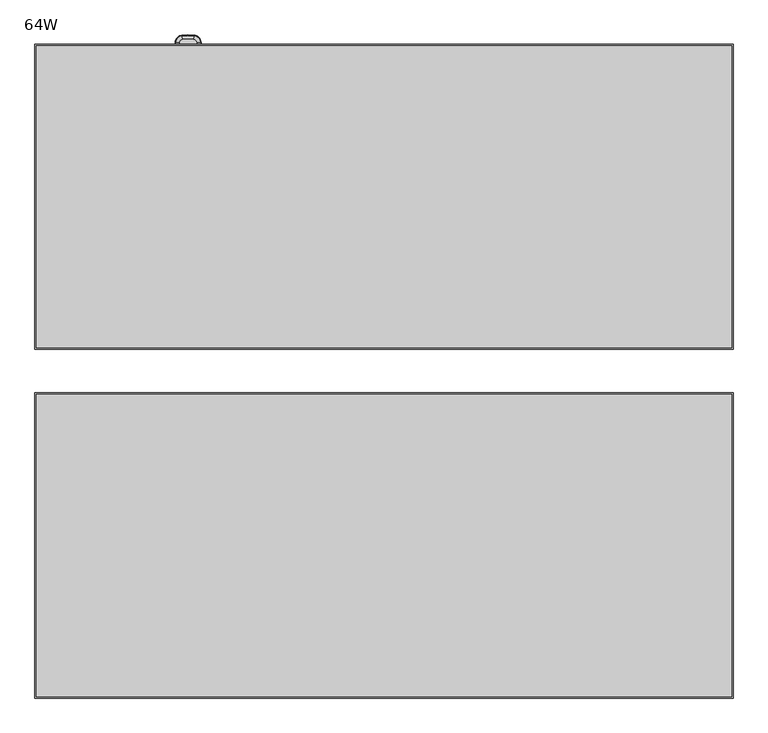
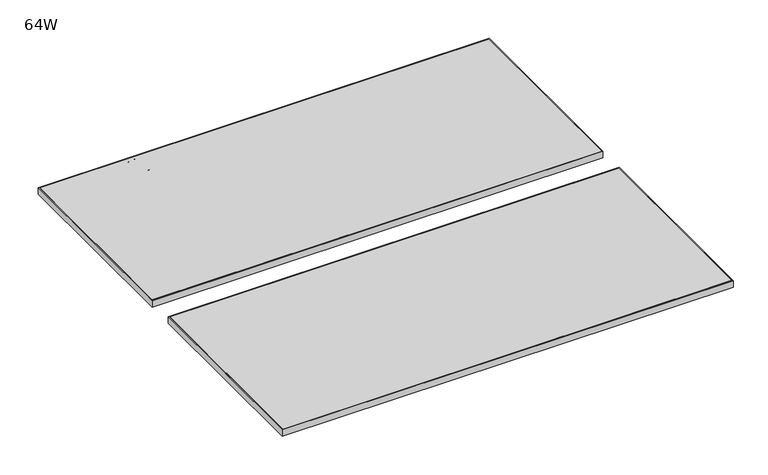
"""IFC4 building model written with IfcOpenShell, lengths in millimetres: furniture geometry, 64W."""

from ifc_helpers import new_model, si_unit, point, frame, origin, place, context, project, spatial, polyline, circle_curve, ellipse_curve, trimmed, outline, extrude, source, transform, mapped, element, save
from ifc_brep_helpers import plane_surface, revolved_surface, advanced_brep


def furniture_64w_d2e35151(model_context):
    return source(origin(), model_context, "Body", "SolidModel", [
        advanced_brep(
        [(-469.9915374, 822.8053798, 737.0002905), (-471.1343179, 830.4598422, 734.1834162), (-484.6227261, 815.5601737, 734.1834162), (-476.8926626, 815.1822062, 737.0002905), (-485.88939, 815.6221082, 732.7527708), (-471.3215762, 831.7141179, 732.7527708), (-471.3460814, 831.8782564, 728.4840916), (-486.0551497, 815.6302132, 728.4840916), (-484.4743896, 779.9758204, 734.1834162), (-476.7477458, 780.4182206, 737.0002905), (-485.9061794, 779.8938412, 728.4840916), (-485.7404931, 779.9033279, 732.7527708), (-470.3475965, 765.2103493, 734.1834162), (-469.5641927, 772.909896, 737.0002905), (-470.4927656, 763.7835807, 728.4840916), (-470.4759667, 763.9486859, 732.7527708), (-443.0158016, 765.0298244, 734.1834162), (-443.6974314, 772.7390475, 737.0002905), (-442.8894919, 763.6012626, 728.4840916), (-442.9041084, 763.7665754, 732.7527708), (-427.2885802, 781.3244805, 734.1834162), (-435.0171131, 781.7325499, 737.0002905), (-425.8564403, 781.248863, 728.4840916), (-426.0221671, 781.2576135, 732.7527708), (-427.1672101, 814.6662347, 734.1834162), (-434.898509, 814.314442, 737.0002905), (-425.7345576, 814.7314238, 728.4840916), (-425.9003437, 814.7238802, 732.7527708), (-441.686564, 830.6029673, 734.1834162), (-442.7548861, 822.9377583, 737.0002905), (-441.4885979, 832.023373, 728.4840916), (-441.5115065, 831.859004, 732.7527708), (-476.8926626, 815.1822062, 724.2999998), (-469.9915374, 822.8053798, 724.2999998), (-442.7548861, 822.9377583, 724.2999998), (-434.898509, 814.314442, 724.2999998), (-435.0171131, 781.7325499, 724.2999998), (-443.6974314, 772.7390475, 724.2999998), (-469.5641927, 772.909896, 724.2999998), (-476.7477458, 780.4182206, 724.2999998), (-485.7050419, 815.6130944, 727.740773), (-471.294323, 831.5315728, 727.740773), (-485.5562266, 779.9138783, 727.740773), (-470.4572839, 764.1323063, 727.740773), (-442.920364, 763.9504265, 727.740773), (-426.2064787, 781.2673452, 727.740773), (-426.0847213, 814.7154906, 727.740773), (-441.5369841, 831.6762026, 727.740773)],
        [
            (0, 1),
            (1, 2, circle_curve(frame((-468.7943107, 814.786231, 734.1834162), z_axis=(0.0, 0.0, 1.0), x_axis=(-0.14765943736555143, 0.9890382654664525, 0.0)), 15.8473253)),
            (2, 3),
            (3, 0, circle_curve(frame((-468.7943107, 814.786231, 736.9999998), z_axis=(0.0, 0.0, -1.0), x_axis=(-0.14765943736555143, 0.9890382654664525, 0.0)), 8.1088255)),
            (4, 5, circle_curve(frame((-468.7943107, 814.786231, 732.7527708), z_axis=(0.0, 0.0, -1.0), x_axis=(-0.14765943736555143, 0.9890382654664525, 0.0)), 17.1155025)),
            (5, 6, circle_curve(frame((-469.6947111, 820.8172064, 730.1868597), z_axis=(-0.9890382654664525, -0.1476594373655514, 0.0), x_axis=(0.1476594373655514, -0.9890382654664525, 0.0)), 11.3125272)),
            (6, 7, circle_curve(frame((-468.7943107, 814.786231, 728.4840916), z_axis=(0.0, 0.0, 1.0), x_axis=(-0.14765943736555143, 0.9890382654664525, 0.0)), 17.2814602)),
            (7, 4, circle_curve(frame((-474.8848525, 815.0840328, 730.1868597), z_axis=(0.048837433538246905, 0.9988067406087112, 0.0), x_axis=(0.9988067406087112, -0.048837433538246905, 0.0)), 11.3125272)),
            (1, 5, circle_curve(frame((-471.0329657, 829.7809746, 732.2975708), z_axis=(-0.9890382654664525, -0.1476594373655514, 0.0), x_axis=(0.1476594373655514, -0.9890382654664525, 0.0)), 2.0068747)),
            (4, 2, circle_curve(frame((-483.9371536, 815.5266521, 732.2975708), z_axis=(0.0488374335382549, 0.9988067406087109, 0.0), x_axis=(0.9988067406087109, -0.0488374335382549, 0.0)), 2.0068747)),
            (2, 8, circle_curve(frame((-149.3226653, 799.1654161, 734.1834162), z_axis=(0.0, 0.0, 1.0), x_axis=(-0.9988067406087116, 0.04883743353824024, 0.0)), 335.7006387)),
            (8, 9),
            (9, 3, circle_curve(frame((-149.3226653, 799.1654161, 736.9999998), z_axis=(0.0, 0.0, -1.0), x_axis=(-0.9988067406087116, 0.04883743353824024, 0.0)), 327.9621389)),
            (7, 10, circle_curve(frame((-149.3226653, 799.1654161, 728.4840916), z_axis=(0.0, 0.0, 1.0), x_axis=(-0.9988067406087116, 0.04883743353824024, 0.0)), 337.1347736)),
            (10, 11, circle_curve(frame((-474.740824, 780.5331298, 730.1868597), z_axis=(-0.05716282129698273, 0.9983648691041614, 0.0), x_axis=(0.9983648691041614, 0.05716282129698273, 0.0)), 11.3125272)),
            (11, 4, circle_curve(frame((-149.3226653, 799.1654161, 732.7527708), z_axis=(0.0, 0.0, -1.0), x_axis=(-0.9988067406087116, 0.04883743353824024, 0.0)), 336.9688159)),
            (11, 8, circle_curve(frame((-483.7891203, 780.0150565, 732.2975708), z_axis=(-0.05716282129698268, 0.9983648691041614, 0.0), x_axis=(0.9983648691041614, 0.05716282129698268, 0.0)), 2.0068747)),
            (8, 12, circle_curve(frame((-468.7536743, 780.8759327, 734.1834162), z_axis=(0.0, 0.0, 1.0), x_axis=(-0.9983648691041614, -0.05716282129698137, 0.0)), 15.7464628)),
            (12, 13),
            (13, 9, circle_curve(frame((-468.7536743, 780.8759327, 736.9999998), z_axis=(0.0, 0.0, -1.0), x_axis=(-0.9983648691041614, -0.05716282129698137, 0.0)), 8.0079629)),
            (10, 14, circle_curve(frame((-468.7536743, 780.8759327, 728.4840916), z_axis=(0.0, 0.0, 1.0), x_axis=(-0.9983648691041614, -0.05716282129698137, 0.0)), 17.1805977)),
            (14, 15, circle_curve(frame((-469.360711, 774.9097797, 730.1868597), z_axis=(-0.9948636454160269, 0.10122414252308488, 0.0), x_axis=(0.10122414252308488, 0.9948636454160269, 0.0)), 11.3125272)),
            (15, 11, circle_curve(frame((-468.7536743, 780.8759327, 732.7527708), z_axis=(0.0, 0.0, -1.0), x_axis=(-0.9983648691041614, -0.05716282129698137, 0.0)), 17.01464)),
            (15, 12, circle_curve(frame((-470.2781171, 765.8932153, 732.2975708), z_axis=(-0.9948636454160268, 0.10122414252308665, 0.0), x_axis=(0.10122414252308665, 0.9948636454160268, 0.0)), 2.0068747)),
            (12, 16, circle_curve(frame((-455.7323463, 908.8537603, 734.1834162), z_axis=(0.0, 0.0, 1.0), x_axis=(-0.10122414252308336, -0.9948636454160271, 0.0)), 144.3850237)),
            (16, 17),
            (17, 13, circle_curve(frame((-455.7323463, 908.8537603, 736.9999998), z_axis=(0.0, 0.0, -1.0), x_axis=(-0.10122414252308336, -0.9948636454160271, 0.0)), 136.6465238)),
            (14, 18, circle_curve(frame((-455.7323463, 908.8537603, 728.4840916), z_axis=(0.0, 0.0, 1.0), x_axis=(-0.10122414252308336, -0.9948636454160271, 0.0)), 145.8191585)),
            (18, 19, circle_curve(frame((-443.8744783, 774.7414445, 730.1868597), z_axis=(-0.9961139479340428, -0.08807384816876641, 0.0), x_axis=(-0.08807384816876641, 0.9961139479340428, 0.0)), 11.3125272)),
            (19, 15, circle_curve(frame((-455.7323463, 908.8537603, 732.7527708), z_axis=(0.0, 0.0, -1.0), x_axis=(-0.10122414252308336, -0.9948636454160271, 0.0)), 145.6532009)),
            (19, 16, circle_curve(frame((-443.0762548, 765.7135486, 732.2975708), z_axis=(-0.996113947934043, -0.0880738481687662, 0.0), x_axis=(-0.0880738481687662, 0.996113947934043, 0.0)), 2.0068747)),
            (16, 20, circle_curve(frame((-444.5370575, 782.2352064, 734.1834162), z_axis=(0.0, 0.0, 1.0), x_axis=(0.08807384816876603, -0.996113947934043, 0.0)), 17.2725039)),
            (20, 21),
            (21, 17, circle_curve(frame((-444.5370575, 782.2352064, 736.9999998), z_axis=(0.0, 0.0, -1.0), x_axis=(0.08807384816876603, -0.996113947934043, 0.0)), 9.534004)),
            (18, 22, circle_curve(frame((-444.5370575, 782.2352064, 728.4840916), z_axis=(0.0, 0.0, 1.0), x_axis=(0.08807384816876603, -0.996113947934043, 0.0)), 18.7066388)),
            (22, 23, circle_curve(frame((-437.0245256, 781.838542, 730.1868597), z_axis=(-0.05272691522564707, -0.9986089687213847, 0.0), x_axis=(-0.9986089687213847, 0.05272691522564707, 0.0)), 11.3125272)),
            (23, 19, circle_curve(frame((-444.5370575, 782.2352064, 732.7527708), z_axis=(0.0, 0.0, -1.0), x_axis=(0.08807384816876603, -0.996113947934043, 0.0)), 18.5406811)),
            (23, 20, circle_curve(frame((-427.974017, 781.3606719, 732.2975708), z_axis=(-0.052726915225650164, -0.9986089687213846, 0.0), x_axis=(-0.9986089687213846, 0.052726915225650164, 0.0)), 2.0068747)),
            (20, 24, circle_curve(frame((-766.406514, 799.2300303, 734.1834162), z_axis=(0.0, 0.0, 1.0), x_axis=(0.9986089687213847, -0.05272691522564658, 0.0)), 339.5903145)),
            (24, 25),
            (25, 21, circle_curve(frame((-766.406514, 799.2300303, 736.9999998), z_axis=(0.0, 0.0, -1.0), x_axis=(0.9986089687213847, -0.05272691522564658, 0.0)), 331.8518146)),
            (22, 26, circle_curve(frame((-766.406514, 799.2300303, 728.4840916), z_axis=(0.0, 0.0, 1.0), x_axis=(0.9986089687213847, -0.05272691522564658, 0.0)), 341.0244494)),
            (26, 27, circle_curve(frame((-436.90664, 814.2230672, 730.1868597), z_axis=(0.04545537307657072, -0.9989663703340917, 0.0), x_axis=(-0.9989663703340917, -0.04545537307657072, 0.0)), 11.3125272)),
            (27, 23, circle_curve(frame((-766.406514, 799.2300303, 732.7527708), z_axis=(0.0, 0.0, -1.0), x_axis=(0.9986089687213847, -0.05272691522564658, 0.0)), 340.8584917)),
            (27, 24, circle_curve(frame((-427.8528922, 814.6350345, 732.2975708), z_axis=(0.045455373076570736, -0.9989663703340917, 0.0), x_axis=(-0.9989663703340917, -0.045455373076570736, 0.0)), 2.0068747)),
            (24, 28, circle_curve(frame((-444.0145546, 813.89964, 734.1834162), z_axis=(0.0, 0.0, 1.0), x_axis=(0.9989663703340921, 0.045455373076564755, 0.0)), 16.8647764)),
            (28, 29),
            (29, 25, circle_curve(frame((-444.0145546, 813.89964, 736.9999998), z_axis=(0.0, 0.0, -1.0), x_axis=(0.9989663703340921, 0.045455373076564755, 0.0)), 9.1262765)),
            (26, 30, circle_curve(frame((-444.0145546, 813.89964, 728.4840916), z_axis=(0.0, 0.0, 1.0), x_axis=(0.9989663703340921, 0.045455373076564755, 0.0)), 18.2989113)),
            (30, 31, circle_curve(frame((-443.0323726, 820.9467936, 730.1868597), z_axis=(0.9904268457768622, -0.13803862924738008, 0.0), x_axis=(-0.13803862924738008, -0.9904268457768622, 0.0)), 11.3125272)),
            (31, 27, circle_curve(frame((-444.0145546, 813.89964, 732.7527708), z_axis=(0.0, 0.0, -1.0), x_axis=(0.9989663703340921, 0.045455373076564755, 0.0)), 18.1329536)),
            (31, 28, circle_curve(frame((-441.7813125, 829.9231467, 732.2975708), z_axis=(0.9904268457768624, -0.13803862924737945, 0.0), x_axis=(-0.13803862924737945, -0.9904268457768624, 0.0)), 2.0068747)),
            (0, 29, circle_curve(frame((-455.9146182, 728.516711, 736.9999998), z_axis=(0.0, 0.0, -1.0), x_axis=(0.13803862924737878, 0.9904268457768624, 0.0)), 95.33449)),
            (28, 1, circle_curve(frame((-455.9146182, 728.516711, 734.1834162), z_axis=(0.0, 0.0, 1.0), x_axis=(0.13803862924737878, 0.9904268457768624, 0.0)), 103.0729899)),
            (5, 31, circle_curve(frame((-455.9146182, 728.516711, 732.7527708), z_axis=(0.0, 0.0, -1.0), x_axis=(0.13803862924737878, 0.9904268457768624, 0.0)), 104.3411671)),
            (30, 6, circle_curve(frame((-455.9146182, 728.516711, 728.4840916), z_axis=(0.0, 0.0, 1.0), x_axis=(0.13803862924737878, 0.9904268457768624, 0.0)), 104.5071248)),
            (32, 33, circle_curve(frame((-468.7943107, 814.786231, 724.2999998), z_axis=(0.0, 0.0, -1.0), x_axis=(-0.14765943736555143, 0.9890382654664525, 0.0)), 8.1080269)),
            (33, 34, circle_curve(frame((-455.9146182, 728.516711, 724.2999998), z_axis=(0.0, 0.0, -1.0), x_axis=(0.13803862924737878, 0.9904268457768624, 0.0)), 95.3336914)),
            (34, 35, circle_curve(frame((-444.0145546, 813.89964, 724.2999998), z_axis=(0.0, 0.0, -1.0), x_axis=(0.9989663703340921, 0.045455373076564755, 0.0)), 9.1254779)),
            (35, 36, circle_curve(frame((-766.406514, 799.2300303, 724.2999998), z_axis=(0.0, 0.0, -1.0), x_axis=(0.9986089687213847, -0.05272691522564658, 0.0)), 331.851016)),
            (36, 37, circle_curve(frame((-444.5370575, 782.2352064, 724.2999998), z_axis=(0.0, 0.0, -1.0), x_axis=(0.08807384816876603, -0.996113947934043, 0.0)), 9.5332054)),
            (37, 38, circle_curve(frame((-455.7323463, 908.8537603, 724.2999998), z_axis=(0.0, 0.0, -1.0), x_axis=(-0.10122414252308336, -0.9948636454160271, 0.0)), 136.6457252)),
            (38, 39, circle_curve(frame((-468.7536743, 780.8759327, 724.2999998), z_axis=(0.0, 0.0, -1.0), x_axis=(-0.9983648691041614, -0.05716282129698137, 0.0)), 8.0071643)),
            (39, 32, circle_curve(frame((-149.3226653, 799.1654161, 724.2999998), z_axis=(0.0, 0.0, -1.0), x_axis=(-0.9988067406087116, 0.04883743353824024, 0.0)), 327.9613402)),
            (40, 41, circle_curve(frame((-468.7943107, 814.786231, 727.740773), z_axis=(0.0, 0.0, -1.0), x_axis=(-0.14765943736555143, 0.9890382654664525, 0.0)), 16.9309342)),
            (41, 33, circle_curve(frame((-470.141296, 823.8084781, 734.7316594), z_axis=(-0.9890382654664525, -0.1476594373655514, 0.0), x_axis=(0.1476594373655514, -0.9890382654664525, 0.0)), 10.4808471)),
            (32, 40, circle_curve(frame((-477.9056682, 815.2317379, 734.7316594), z_axis=(0.04883743353825404, 0.9988067406087109, 0.0), x_axis=(0.9988067406087109, -0.04883743353825404, 0.0)), 10.4808471)),
            (6, 41, circle_curve(frame((-471.135997, 830.471089, 728.7007148), z_axis=(-0.9890382654664525, -0.1476594373655514, 0.0), x_axis=(0.1476594373655514, -0.9890382654664525, 0.0)), 1.4391599)),
            (40, 7, circle_curve(frame((-484.6340841, 815.5607291, 728.7007148), z_axis=(0.048837433538254676, 0.9988067406087108, 0.0), x_axis=(0.9988067406087108, -0.048837433538254676, 0.0)), 1.4391599)),
            (39, 42, circle_curve(frame((-477.7603033, 780.3602451, 734.7316594), z_axis=(-0.05716282129698307, 0.9983648691041613, 0.0), x_axis=(0.9983648691041613, 0.05716282129698307, 0.0)), 10.4808471)),
            (42, 40, circle_curve(frame((-149.3226653, 799.1654161, 727.740773), z_axis=(0.0, 0.0, -1.0), x_axis=(-0.9988067406087116, 0.04883743353824024, 0.0)), 336.7842476)),
            (42, 10, circle_curve(frame((-484.4857425, 779.9751704, 728.7007148), z_axis=(-0.057162821296982816, 0.9983648691041614, 0.0), x_axis=(0.9983648691041614, 0.057162821296982816, 0.0)), 1.4391599)),
            (38, 43, circle_curve(frame((-469.6668558, 771.9008896, 734.7316594), z_axis=(-0.9948636454160273, 0.10122414252308068, 0.0), x_axis=(0.10122414252308068, 0.9948636454160273, 0.0)), 10.4808471)),
            (43, 42, circle_curve(frame((-468.7536743, 780.8759327, 727.740773), z_axis=(0.0, 0.0, -1.0), x_axis=(-0.9983648691041614, -0.05716282129698137, 0.0)), 16.8300716)),
            (43, 14, circle_curve(frame((-470.3487476, 765.1990362, 728.7007148), z_axis=(-0.9948636454160269, 0.1012241425230851, 0.0), x_axis=(0.1012241425230851, 0.9948636454160269, 0.0)), 1.4391599)),
            (37, 44, circle_curve(frame((-443.6081056, 771.728773, 734.7316594), z_axis=(-0.9961139479340428, -0.0880738481687665, 0.0), x_axis=(-0.0880738481687665, 0.9961139479340428, 0.0)), 10.4808471)),
            (44, 43, circle_curve(frame((-455.7323463, 908.8537603, 727.740773), z_axis=(0.0, 0.0, -1.0), x_axis=(-0.10122414252308336, -0.9948636454160271, 0.0)), 145.4686325)),
            (44, 18, circle_curve(frame((-443.0148001, 765.018497, 728.7007148), z_axis=(-0.996113947934043, -0.08807384816876661, 0.0), x_axis=(-0.08807384816876661, 0.996113947934043, 0.0)), 1.4391599)),
            (36, 45, circle_curve(frame((-434.0043081, 781.6790734, 734.7316594), z_axis=(-0.05272691522564975, -0.9986089687213845, 0.0), x_axis=(-0.9986089687213845, 0.05272691522564975, 0.0)), 10.4808471)),
            (45, 44, circle_curve(frame((-444.5370575, 782.2352064, 727.740773), z_axis=(0.0, 0.0, -1.0), x_axis=(0.08807384816876603, -0.996113947934043, 0.0)), 18.3561127)),
            (45, 22, circle_curve(frame((-427.2772245, 781.323881, 728.7007148), z_axis=(-0.05272691522564685, -0.9986089687213847, 0.0), x_axis=(-0.9986089687213847, 0.05272691522564685, 0.0)), 1.4391599)),
            (35, 46, circle_curve(frame((-433.8853415, 814.3605436, 734.7316594), z_axis=(0.045455373076571264, -0.9989663703340917, 0.0), x_axis=(-0.9989663703340917, -0.045455373076571264, 0.0)), 10.4808471)),
            (46, 45, circle_curve(frame((-766.406514, 799.2300303, 727.740773), z_axis=(0.0, 0.0, -1.0), x_axis=(0.9986089687213847, -0.05272691522564658, 0.0)), 340.6739233)),
            (46, 26, circle_curve(frame((-427.1558503, 814.6667516, 728.7007148), z_axis=(0.04545537307657093, -0.9989663703340917, 0.0), x_axis=(-0.9989663703340917, -0.04545537307657093, 0.0)), 1.4391599)),
            (34, 47, circle_curve(frame((-442.6148851, 823.9422649, 734.7316594), z_axis=(0.990426845776862, -0.13803862924738186, 0.0), x_axis=(-0.13803862924738186, -0.990426845776862, 0.0)), 10.4808471)),
            (47, 46, circle_curve(frame((-444.0145546, 813.89964, 727.740773), z_axis=(0.0, 0.0, -1.0), x_axis=(0.9989663703340921, 0.045455373076564755, 0.0)), 17.9483852)),
            (47, 30, circle_curve(frame((-441.6849942, 830.6142299, 728.7007148), z_axis=(0.9904268457768624, -0.13803862924737964, 0.0), x_axis=(-0.13803862924737964, -0.9904268457768624, 0.0)), 1.4391599)),
            (41, 47, circle_curve(frame((-455.9146182, 728.516711, 727.740773), z_axis=(0.0, 0.0, -1.0), x_axis=(0.13803862924737878, 0.9904268457768624, 0.0)), 104.1565987)),
        ],
        [
            revolved_surface(polyline([(-471.1343179, 830.4598422, 734.1834162), (-469.9915374, 822.8053798, 737.0002905)]), (-468.7943107, 814.786231, 0.0), (0.0, 0.0, 1.0)),
            revolved_surface(trimmed(ellipse_curve(frame((-469.6947111, 820.8172064, 730.1868597), z_axis=(0.9890382654664525, 0.1476594373655514, 0.0), x_axis=(0.1476594373655514, -0.9890382654664525, 0.0)), 11.3125272, 11.3125272), [point((-471.3460814, 831.8782564, 728.4840916))], [point((-471.3215762, 831.7141179, 732.7527708))], True, "CARTESIAN"), (-468.7943107, 814.786231, 0.0), (0.0, 0.0, 1.0)),
            revolved_surface(trimmed(ellipse_curve(frame((-471.0329657, 829.7809746, 732.2975708), z_axis=(0.9890382654664525, 0.1476594373655514, 0.0), x_axis=(0.1476594373655514, -0.9890382654664525, 0.0)), 2.0068747, 2.0068747), [point((-471.3215762, 831.7141179, 732.7527708))], [point((-471.1343179, 830.4598422, 734.1834162))], True, "CARTESIAN"), (-468.7943107, 814.786231, 0.0), (0.0, 0.0, 1.0)),
            revolved_surface(polyline([(-484.6227261, 815.5601737, 734.1834162), (-476.8926626, 815.1822062, 737.0002905)]), (-149.3226653, 799.1654161, 0.0), (0.0, 0.0, 1.0)),
            revolved_surface(trimmed(ellipse_curve(frame((-474.8848525, 815.0840328, 730.1868597), z_axis=(0.04883743353824022, 0.9988067406087116, 0.0), x_axis=(0.9988067406087116, -0.04883743353824022, 0.0)), 11.3125272, 11.3125272), [point((-486.0551497, 815.6302132, 728.4840916))], [point((-485.88939, 815.6221082, 732.7527708))], True, "CARTESIAN"), (-149.3226653, 799.1654161, 0.0), (0.0, 0.0, 1.0)),
            revolved_surface(trimmed(ellipse_curve(frame((-483.9371536, 815.5266521, 732.2975708), z_axis=(0.04883743353824022, 0.9988067406087116, 0.0), x_axis=(0.9988067406087116, -0.04883743353824022, 0.0)), 2.0068747, 2.0068747), [point((-485.88939, 815.6221082, 732.7527708))], [point((-484.6227261, 815.5601737, 734.1834162))], True, "CARTESIAN"), (-149.3226653, 799.1654161, 0.0), (0.0, 0.0, 1.0)),
            revolved_surface(polyline([(-484.4743896, 779.9758204, 734.1834162), (-476.7477458, 780.4182206, 737.0002905)]), (-468.7536743, 780.8759327, 0.0), (0.0, 0.0, 1.0)),
            revolved_surface(trimmed(ellipse_curve(frame((-474.740824, 780.5331298, 730.1868597), z_axis=(-0.05716282129698137, 0.9983648691041614, 0.0), x_axis=(0.9983648691041614, 0.05716282129698137, 0.0)), 11.3125272, 11.3125272), [point((-485.9061794, 779.8938412, 728.4840916))], [point((-485.7404931, 779.9033279, 732.7527708))], True, "CARTESIAN"), (-468.7536743, 780.8759327, 0.0), (0.0, 0.0, 1.0)),
            revolved_surface(trimmed(ellipse_curve(frame((-483.7891203, 780.0150565, 732.2975708), z_axis=(-0.05716282129698137, 0.9983648691041614, 0.0), x_axis=(0.9983648691041614, 0.05716282129698137, 0.0)), 2.0068747, 2.0068747), [point((-485.7404931, 779.9033279, 732.7527708))], [point((-484.4743896, 779.9758204, 734.1834162))], True, "CARTESIAN"), (-468.7536743, 780.8759327, 0.0), (0.0, 0.0, 1.0)),
            revolved_surface(polyline([(-470.3475965, 765.2103493, 734.1834162), (-469.5641927, 772.909896, 737.0002905)]), (-455.7323463, 908.8537603, 0.0), (0.0, 0.0, 1.0)),
            revolved_surface(trimmed(ellipse_curve(frame((-469.360711, 774.9097797, 730.1868597), z_axis=(-0.9948636454160271, 0.10122414252308339, 0.0), x_axis=(0.10122414252308339, 0.9948636454160271, 0.0)), 11.3125272, 11.3125272), [point((-470.4927656, 763.7835807, 728.4840916))], [point((-470.4759667, 763.9486859, 732.7527708))], True, "CARTESIAN"), (-455.7323463, 908.8537603, 0.0), (0.0, 0.0, 1.0)),
            revolved_surface(trimmed(ellipse_curve(frame((-470.2781171, 765.8932153, 732.2975708), z_axis=(-0.9948636454160271, 0.10122414252308339, 0.0), x_axis=(0.10122414252308339, 0.9948636454160271, 0.0)), 2.0068747, 2.0068747), [point((-470.4759667, 763.9486859, 732.7527708))], [point((-470.3475965, 765.2103493, 734.1834162))], True, "CARTESIAN"), (-455.7323463, 908.8537603, 0.0), (0.0, 0.0, 1.0)),
            revolved_surface(polyline([(-443.0158016, 765.0298244, 734.1834162), (-443.6974314, 772.7390475, 737.0002905)]), (-444.5370575, 782.2352064, 0.0), (0.0, 0.0, 1.0)),
            revolved_surface(trimmed(ellipse_curve(frame((-443.8744783, 774.7414445, 730.1868597), z_axis=(-0.996113947934043, -0.08807384816876601, 0.0), x_axis=(-0.08807384816876601, 0.996113947934043, 0.0)), 11.3125272, 11.3125272), [point((-442.8894919, 763.6012626, 728.4840916))], [point((-442.9041084, 763.7665754, 732.7527708))], True, "CARTESIAN"), (-444.5370575, 782.2352064, 0.0), (0.0, 0.0, 1.0)),
            revolved_surface(trimmed(ellipse_curve(frame((-443.0762548, 765.7135486, 732.2975708), z_axis=(-0.996113947934043, -0.08807384816876601, 0.0), x_axis=(-0.08807384816876601, 0.996113947934043, 0.0)), 2.0068747, 2.0068747), [point((-442.9041084, 763.7665754, 732.7527708))], [point((-443.0158016, 765.0298244, 734.1834162))], True, "CARTESIAN"), (-444.5370575, 782.2352064, 0.0), (0.0, 0.0, 1.0)),
            revolved_surface(polyline([(-427.2885802, 781.3244805, 734.1834162), (-435.0171131, 781.7325499, 737.0002905)]), (-766.406514, 799.2300303, 0.0), (0.0, 0.0, 1.0)),
            revolved_surface(trimmed(ellipse_curve(frame((-437.0245256, 781.838542, 730.1868597), z_axis=(-0.05272691522564656, -0.9986089687213847, 0.0), x_axis=(-0.9986089687213847, 0.05272691522564656, 0.0)), 11.3125272, 11.3125272), [point((-425.8564403, 781.248863, 728.4840916))], [point((-426.0221671, 781.2576135, 732.7527708))], True, "CARTESIAN"), (-766.406514, 799.2300303, 0.0), (0.0, 0.0, 1.0)),
            revolved_surface(trimmed(ellipse_curve(frame((-427.974017, 781.3606719, 732.2975708), z_axis=(-0.05272691522564656, -0.9986089687213847, 0.0), x_axis=(-0.9986089687213847, 0.05272691522564656, 0.0)), 2.0068747, 2.0068747), [point((-426.0221671, 781.2576135, 732.7527708))], [point((-427.2885802, 781.3244805, 734.1834162))], True, "CARTESIAN"), (-766.406514, 799.2300303, 0.0), (0.0, 0.0, 1.0)),
            revolved_surface(polyline([(-427.1672101, 814.6662347, 734.1834162), (-434.898509, 814.314442, 737.0002905)]), (-444.0145546, 813.89964, 0.0), (0.0, 0.0, 1.0)),
            revolved_surface(trimmed(ellipse_curve(frame((-436.90664, 814.2230672, 730.1868597), z_axis=(0.04545537307656477, -0.9989663703340921, 0.0), x_axis=(-0.9989663703340921, -0.04545537307656477, 0.0)), 11.3125272, 11.3125272), [point((-425.7345576, 814.7314238, 728.4840916))], [point((-425.9003437, 814.7238802, 732.7527708))], True, "CARTESIAN"), (-444.0145546, 813.89964, 0.0), (0.0, 0.0, 1.0)),
            revolved_surface(trimmed(ellipse_curve(frame((-427.8528922, 814.6350345, 732.2975708), z_axis=(0.04545537307656477, -0.9989663703340921, 0.0), x_axis=(-0.9989663703340921, -0.04545537307656477, 0.0)), 2.0068747, 2.0068747), [point((-425.9003437, 814.7238802, 732.7527708))], [point((-427.1672101, 814.6662347, 734.1834162))], True, "CARTESIAN"), (-444.0145546, 813.89964, 0.0), (0.0, 0.0, 1.0)),
            revolved_surface(polyline([(-441.686564, 830.6029673, 734.1834162), (-442.7548861, 822.9377583, 737.0002905)]), (-455.9146182, 728.516711, 0.0), (0.0, 0.0, 1.0)),
            revolved_surface(trimmed(ellipse_curve(frame((-443.0323726, 820.9467936, 730.1868597), z_axis=(0.9904268457768624, -0.1380386292473788, 0.0), x_axis=(-0.1380386292473788, -0.9904268457768624, 0.0)), 11.3125272, 11.3125272), [point((-441.4885979, 832.023373, 728.4840916))], [point((-441.5115065, 831.859004, 732.7527708))], True, "CARTESIAN"), (-455.9146182, 728.516711, 0.0), (0.0, 0.0, 1.0)),
            revolved_surface(trimmed(ellipse_curve(frame((-441.7813125, 829.9231467, 732.2975708), z_axis=(0.9904268457768624, -0.1380386292473788, 0.0), x_axis=(-0.1380386292473788, -0.9904268457768624, 0.0)), 2.0068747, 2.0068747), [point((-441.5115065, 831.859004, 732.7527708))], [point((-441.686564, 830.6029673, 734.1834162))], True, "CARTESIAN"), (-455.9146182, 728.516711, 0.0), (0.0, 0.0, 1.0)),
            plane_surface(frame((-468.7536743, 772.8687684, 724.2999998), z_axis=(0.0, 0.0, -1.0), x_axis=(-1.0, 0.0, 0.0))),
            plane_surface(frame((-468.7536743, 772.8687684, 736.9999998), z_axis=(0.0, 0.0, 1.0), x_axis=(1.0, 0.0, 0.0))),
            revolved_surface(trimmed(ellipse_curve(frame((-470.141296, 823.8084781, 734.7316594), z_axis=(0.9890382654664525, 0.1476594373655514, 0.0), x_axis=(0.1476594373655514, -0.9890382654664525, 0.0)), 10.4808471, 10.4808471), [point((-469.9915374, 822.8053798, 724.2999998))], [point((-471.294323, 831.5315728, 727.740773))], True, "CARTESIAN"), (-468.7943107, 814.786231, 0.0), (0.0, 0.0, 1.0)),
            revolved_surface(trimmed(ellipse_curve(frame((-471.135997, 830.471089, 728.7007148), z_axis=(0.9890382654664525, 0.1476594373655514, 0.0), x_axis=(0.1476594373655514, -0.9890382654664525, 0.0)), 1.4391599, 1.4391599), [point((-471.294323, 831.5315728, 727.740773))], [point((-471.3460814, 831.8782564, 728.4840916))], True, "CARTESIAN"), (-468.7943107, 814.786231, 0.0), (0.0, 0.0, 1.0)),
            revolved_surface(trimmed(ellipse_curve(frame((-477.9056682, 815.2317379, 734.7316594), z_axis=(0.04883743353824022, 0.9988067406087116, 0.0), x_axis=(0.9988067406087116, -0.04883743353824022, 0.0)), 10.4808471, 10.4808471), [point((-476.8926626, 815.1822062, 724.2999998))], [point((-485.7050419, 815.6130944, 727.740773))], True, "CARTESIAN"), (-149.3226653, 799.1654161, 0.0), (0.0, 0.0, 1.0)),
            revolved_surface(trimmed(ellipse_curve(frame((-484.6340841, 815.5607291, 728.7007148), z_axis=(0.04883743353824022, 0.9988067406087116, 0.0), x_axis=(0.9988067406087116, -0.04883743353824022, 0.0)), 1.4391599, 1.4391599), [point((-485.7050419, 815.6130944, 727.740773))], [point((-486.0551497, 815.6302132, 728.4840916))], True, "CARTESIAN"), (-149.3226653, 799.1654161, 0.0), (0.0, 0.0, 1.0)),
            revolved_surface(trimmed(ellipse_curve(frame((-477.7603033, 780.3602451, 734.7316594), z_axis=(-0.05716282129698137, 0.9983648691041614, 0.0), x_axis=(0.9983648691041614, 0.05716282129698137, 0.0)), 10.4808471, 10.4808471), [point((-476.7477458, 780.4182206, 724.2999998))], [point((-485.5562266, 779.9138783, 727.740773))], True, "CARTESIAN"), (-468.7536743, 780.8759327, 0.0), (0.0, 0.0, 1.0)),
            revolved_surface(trimmed(ellipse_curve(frame((-484.4857425, 779.9751704, 728.7007148), z_axis=(-0.05716282129698137, 0.9983648691041614, 0.0), x_axis=(0.9983648691041614, 0.05716282129698137, 0.0)), 1.4391599, 1.4391599), [point((-485.5562266, 779.9138783, 727.740773))], [point((-485.9061794, 779.8938412, 728.4840916))], True, "CARTESIAN"), (-468.7536743, 780.8759327, 0.0), (0.0, 0.0, 1.0)),
            revolved_surface(trimmed(ellipse_curve(frame((-469.6668558, 771.9008896, 734.7316594), z_axis=(-0.9948636454160271, 0.10122414252308339, 0.0), x_axis=(0.10122414252308339, 0.9948636454160271, 0.0)), 10.4808471, 10.4808471), [point((-469.5641927, 772.909896, 724.2999998))], [point((-470.4572839, 764.1323063, 727.740773))], True, "CARTESIAN"), (-455.7323463, 908.8537603, 0.0), (0.0, 0.0, 1.0)),
            revolved_surface(trimmed(ellipse_curve(frame((-470.3487476, 765.1990362, 728.7007148), z_axis=(-0.9948636454160271, 0.10122414252308339, 0.0), x_axis=(0.10122414252308339, 0.9948636454160271, 0.0)), 1.4391599, 1.4391599), [point((-470.4572839, 764.1323063, 727.740773))], [point((-470.4927656, 763.7835807, 728.4840916))], True, "CARTESIAN"), (-455.7323463, 908.8537603, 0.0), (0.0, 0.0, 1.0)),
            revolved_surface(trimmed(ellipse_curve(frame((-443.6081056, 771.728773, 734.7316594), z_axis=(-0.996113947934043, -0.08807384816876601, 0.0), x_axis=(-0.08807384816876601, 0.996113947934043, 0.0)), 10.4808471, 10.4808471), [point((-443.6974314, 772.7390475, 724.2999998))], [point((-442.920364, 763.9504265, 727.740773))], True, "CARTESIAN"), (-444.5370575, 782.2352064, 0.0), (0.0, 0.0, 1.0)),
            revolved_surface(trimmed(ellipse_curve(frame((-443.0148001, 765.018497, 728.7007148), z_axis=(-0.996113947934043, -0.08807384816876601, 0.0), x_axis=(-0.08807384816876601, 0.996113947934043, 0.0)), 1.4391599, 1.4391599), [point((-442.920364, 763.9504265, 727.740773))], [point((-442.8894919, 763.6012626, 728.4840916))], True, "CARTESIAN"), (-444.5370575, 782.2352064, 0.0), (0.0, 0.0, 1.0)),
            revolved_surface(trimmed(ellipse_curve(frame((-434.0043081, 781.6790734, 734.7316594), z_axis=(-0.05272691522564656, -0.9986089687213847, 0.0), x_axis=(-0.9986089687213847, 0.05272691522564656, 0.0)), 10.4808471, 10.4808471), [point((-435.0171131, 781.7325499, 724.2999998))], [point((-426.2064787, 781.2673452, 727.740773))], True, "CARTESIAN"), (-766.406514, 799.2300303, 0.0), (0.0, 0.0, 1.0)),
            revolved_surface(trimmed(ellipse_curve(frame((-427.2772245, 781.323881, 728.7007148), z_axis=(-0.05272691522564656, -0.9986089687213847, 0.0), x_axis=(-0.9986089687213847, 0.05272691522564656, 0.0)), 1.4391599, 1.4391599), [point((-426.2064787, 781.2673452, 727.740773))], [point((-425.8564403, 781.248863, 728.4840916))], True, "CARTESIAN"), (-766.406514, 799.2300303, 0.0), (0.0, 0.0, 1.0)),
            revolved_surface(trimmed(ellipse_curve(frame((-433.8853415, 814.3605436, 734.7316594), z_axis=(0.04545537307656477, -0.9989663703340921, 0.0), x_axis=(-0.9989663703340921, -0.04545537307656477, 0.0)), 10.4808471, 10.4808471), [point((-434.898509, 814.314442, 724.2999998))], [point((-426.0847213, 814.7154906, 727.740773))], True, "CARTESIAN"), (-444.0145546, 813.89964, 0.0), (0.0, 0.0, 1.0)),
            revolved_surface(trimmed(ellipse_curve(frame((-427.1558503, 814.6667516, 728.7007148), z_axis=(0.04545537307656477, -0.9989663703340921, 0.0), x_axis=(-0.9989663703340921, -0.04545537307656477, 0.0)), 1.4391599, 1.4391599), [point((-426.0847213, 814.7154906, 727.740773))], [point((-425.7345576, 814.7314238, 728.4840916))], True, "CARTESIAN"), (-444.0145546, 813.89964, 0.0), (0.0, 0.0, 1.0)),
            revolved_surface(trimmed(ellipse_curve(frame((-442.6148851, 823.9422649, 734.7316594), z_axis=(0.9904268457768624, -0.1380386292473788, 0.0), x_axis=(-0.1380386292473788, -0.9904268457768624, 0.0)), 10.4808471, 10.4808471), [point((-442.7548861, 822.9377583, 724.2999998))], [point((-441.5369841, 831.6762026, 727.740773))], True, "CARTESIAN"), (-455.9146182, 728.516711, 0.0), (0.0, 0.0, 1.0)),
            revolved_surface(trimmed(ellipse_curve(frame((-441.6849942, 830.6142299, 728.7007148), z_axis=(0.9904268457768624, -0.1380386292473788, 0.0), x_axis=(-0.1380386292473788, -0.9904268457768624, 0.0)), 1.4391599, 1.4391599), [point((-441.5369841, 831.6762026, 727.740773))], [point((-441.4885979, 832.023373, 728.4840916))], True, "CARTESIAN"), (-455.9146182, 728.516711, 0.0), (0.0, 0.0, 1.0)),
        ],
        [
            (0, [[1, 2, 3, 4]]),
            (1, [[5, 6, 7, 8]]),
            (2, [[-2, 9, -5, 10]]),
            (3, [[-3, 11, 12, 13]]),
            (4, [[-8, 14, 15, 16]]),
            (5, [[-10, -16, 17, -11]]),
            (6, [[-12, 18, 19, 20]]),
            (7, [[-15, 21, 22, 23]]),
            (8, [[-17, -23, 24, -18]]),
            (9, [[-19, 25, 26, 27]]),
            (10, [[-22, 28, 29, 30]]),
            (11, [[-24, -30, 31, -25]]),
            (12, [[-26, 32, 33, 34]]),
            (13, [[-29, 35, 36, 37]]),
            (14, [[-31, -37, 38, -32]]),
            (15, [[-33, 39, 40, 41]]),
            (16, [[-36, 42, 43, 44]]),
            (17, [[-38, -44, 45, -39]]),
            (18, [[-40, 46, 47, 48]]),
            (19, [[-43, 49, 50, 51]]),
            (20, [[-45, -51, 52, -46]]),
            (21, [[-1, 53, -47, 54]]),
            (22, [[-6, 55, -50, 56]]),
            (23, [[-9, -54, -52, -55]]),
            (24, [[57, 58, 59, 60, 61, 62, 63, 64]]),
            (25, [[-4, -13, -20, -27, -34, -41, -48, -53]]),
            (26, [[65, 66, -57, 67]]),
            (27, [[-7, 68, -65, 69]]),
            (28, [[-67, -64, 70, 71]]),
            (29, [[-14, -69, -71, 72]]),
            (30, [[-70, -63, 73, 74]]),
            (31, [[-21, -72, -74, 75]]),
            (32, [[-73, -62, 76, 77]]),
            (33, [[-28, -75, -77, 78]]),
            (34, [[-76, -61, 79, 80]]),
            (35, [[-35, -78, -80, 81]]),
            (36, [[-79, -60, 82, 83]]),
            (37, [[-42, -81, -83, 84]]),
            (38, [[-82, -59, 85, 86]]),
            (39, [[-49, -84, -86, 87]]),
            (40, [[-66, 88, -85, -58]]),
            (41, [[-56, -87, -88, -68]]),
        ],
    ),
        extrude(outline(polyline([(809.837698, -707.9304089), (-809.7622806, -707.9304089), (-809.7622806, -3.0), (809.837698, -3.0), (809.837698, -707.9304089)])), frame((0.0, 0.0, 736.9999998), z_axis=(0.0, 0.0, 1.0), x_axis=(1.0, 0.0, 0.0)), (0.0, 0.0, 1.0), 25.0000002),
        extrude(outline(polyline([(812.8, -710.9305875), (-812.8, -710.9305875), (-812.8, 0.0), (812.8, 0.0), (812.8, -710.9305875)]), holes=[polyline([(809.837698, -707.9304089), (809.837698, -3.0), (-809.7622806, -3.0), (-809.7622806, -707.9304089), (809.837698, -707.9304089)])]), frame((0.0, 0.0, 736.9999998), z_axis=(0.0, 0.0, 1.0), x_axis=(1.0, 0.0, 0.0)), (0.0, 0.0, 1.0), 25.0000002),
        extrude(outline(polyline([(809.837698, 808.4439663), (809.837698, 104.5993194), (-809.7622806, 104.5993194), (-809.7622806, 808.4439663), (809.837698, 808.4439663)])), frame((0.0, 0.0, 736.9999998), z_axis=(0.0, 0.0, 1.0), x_axis=(1.0, 0.0, 0.0)), (0.0, 0.0, 1.0), 25.0000002),
        extrude(outline(polyline([(812.8, 811.4439286), (812.8, 101.6), (-812.8, 101.6), (-812.8, 811.4439286), (812.8, 811.4439286)]), holes=[polyline([(809.837698, 808.4439663), (-809.7622806, 808.4439663), (-809.7622806, 104.5993194), (809.837698, 104.5993194), (809.837698, 808.4439663)])]), frame((0.0, 0.0, 736.9999998), z_axis=(0.0, 0.0, 1.0), x_axis=(1.0, 0.0, 0.0)), (0.0, 0.0, 1.0), 25.0000002),
    ])


if __name__ == "__main__":
    model = new_model("IFC4")
    model_context = context("Model", 3, world=origin())
    ifc_project = project(units=[si_unit("LENGTHUNIT", "METRE", prefix="MILLI")], contexts=[model_context])
    site = spatial("IfcSite", under=ifc_project)
    building = spatial("IfcBuilding", under=site)
    placement = place(None, origin())
    furniture_64w_shape = furniture_64w_d2e35151(model_context)
    element("IfcFurniture", 1, ObjectType="64W", at=placement, inside=building, context=model_context, shape_type="MappedRepresentation", body=[
        mapped(furniture_64w_shape, transform((0.0, 0.0, 0.0), x_axis=(1.0, 0.0, 0.0), y_axis=(0.0, 1.0, 0.0), z_axis=(0.0, 0.0, 1.0))),
    ])
    save(model, "model.ifc")
